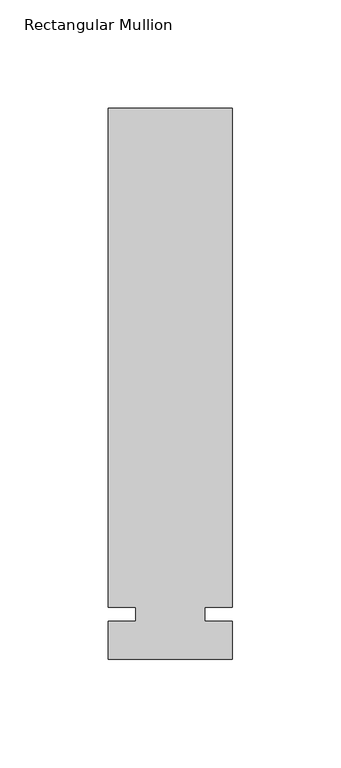
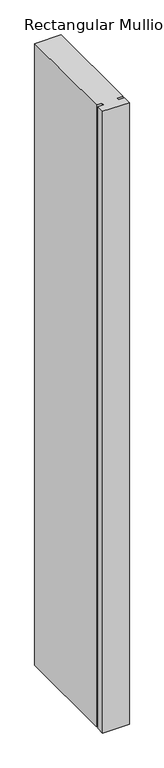
"""IFC4 building model written with IfcOpenShell, lengths in millimetres: member geometry, Rectangular Mullion."""

from ifc_helpers import new_model, si_unit, frame, origin, place, context, project, spatial, polyline, outline, extrude, source, transform, mapped, element, save


def rectangular_mullion_f4bca6bb(model_context):
    return source(origin(), model_context, "Body", "SweptSolid", [
        extrude(outline(polyline([(32.9094027, 233.3625), (32.9094027, 3.175), (20.2076322, 3.175), (20.2076322, -3.175), (32.9094027, -3.175), (32.9094027, -20.6375), (-24.2405973, -20.6375), (-24.2405973, -3.175), (-11.5405973, -3.175), (-11.5405973, 3.175), (-24.2405973, 3.175), (-24.2405973, 233.3625), (32.9094027, 233.3625)])), frame((0.0, 0.0, -1416.1510693), z_axis=(0.0, 0.0, 1.0), x_axis=(1.0, 0.0, 0.0)), (0.0, 0.0, 1.0), 1416.1510693),
    ])


if __name__ == "__main__":
    model = new_model("IFC4")
    model_context = context("Model", 3, world=origin())
    ifc_project = project(units=[si_unit("LENGTHUNIT", "METRE", prefix="MILLI")], contexts=[model_context])
    site = spatial("IfcSite", under=ifc_project)
    building = spatial("IfcBuilding", under=site)
    placement = place(None, origin())
    rectangular_mullion_shape = rectangular_mullion_f4bca6bb(model_context)
    element("IfcMember", 1, ObjectType="Rectangular Mullion", at=placement, inside=building, context=model_context, shape_type="MappedRepresentation", body=[
        mapped(rectangular_mullion_shape, transform((0.0, 0.0, 0.0), x_axis=(1.0, 0.0, 0.0), y_axis=(0.0, 1.0, 0.0), z_axis=(0.0, 0.0, 1.0))),
    ])
    save(model, "model.ifc")
